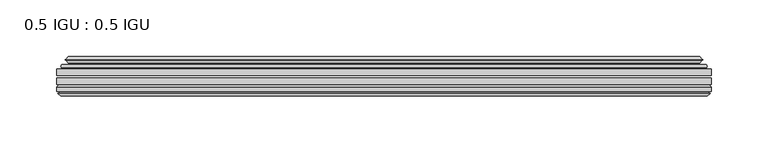
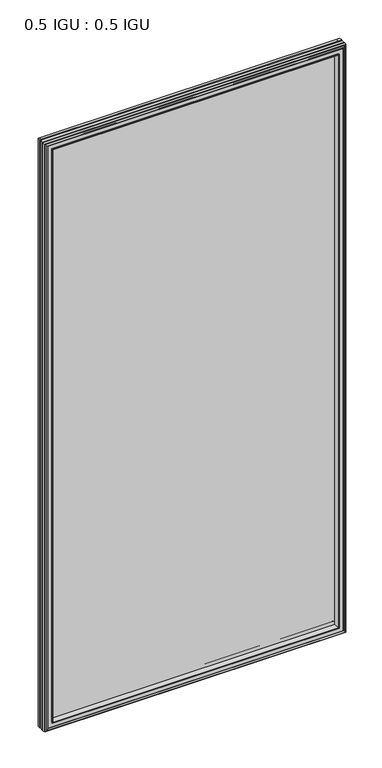
"""IFC4 building model written with IfcOpenShell, lengths in millimetres: plate geometry, 0.5 IGU : 0.5 IGU."""

from ifc_helpers import new_model, si_unit, frame, origin, place, context, project, spatial, polyline, ellipse_curve, outline, extrude, faceted_brep, source, transform, mapped, element, save
from ifc_brep_helpers import plane_surface, cylinder_surface, revolved_surface, advanced_brep


def plate_0_5_igu_0_5_igu_123863bd(model_context):
    return source(origin(), model_context, "Body", "SolidModel", [
        extrude(outline(polyline([(287.351675, -55.82285), (287.351675, -61.48705), (-287.3375, -61.48705), (-287.3375, -55.82285), (287.351675, -55.82285)])), frame((0.0, 0.0, -14.2875), z_axis=(0.0, 0.0, 1.0), x_axis=(1.0, 0.0, 0.0)), (0.0, 0.0, 1.0), 1184.2787979),
        extrude(outline(polyline([(-287.3375, -69.05625), (-287.3375, -63.39205), (287.351675, -63.39205), (287.351675, -69.05625), (-287.3375, -69.05625)])), frame((0.0, 0.0, -14.2875), z_axis=(0.0, 0.0, 1.0), x_axis=(1.0, 0.0, 0.0)), (0.0, 0.0, 1.0), 1184.2787979),
        advanced_brep(
        [(-283.2349626, -54.3724927, 1165.8849626), (-282.1904378, -51.60645, 1164.8404378), (-282.1904378, -51.60645, -9.1404378), (-283.2349626, -54.3724927, -10.1849626), (-281.598517, -55.82285, 1164.248517), (-281.598517, -55.82285, -8.548517), (-273.05, -45.63745, 1155.7), (-269.4672761, -55.82285, 1152.1172761), (-269.4672761, -55.82285, 3.5827239), (-273.05, -45.63745, 0.0), (-278.2359109, -46.8185491, 1160.8859109), (-278.2359109, -46.8185491, -5.1859109), (-277.4388893, -44.8183085, 1160.0888893), (-277.4388893, -44.8183085, -4.3888893), (-279.7226111, -47.135817, 1162.3726111), (-279.7226111, -47.135817, -6.6726111), (-279.7226111, -47.8489429, 1162.3726111), (-279.7226111, -47.8489429, -6.6726111), (-277.4388893, -50.1664515, 1160.0888893), (-277.4388893, -50.1664515, -4.3888893), (-278.2282501, -48.1854367, 1160.8782501), (-278.2282501, -48.1854367, -5.1782501), (-275.7044379, -48.027045, 1158.3544379), (-275.7044379, -48.027045, -2.6544379), (-274.6786217, -48.7147544, 1157.3286217), (-274.6786217, -48.7147544, -1.6286217), (-274.7970288, -50.1092231, 1157.4470288), (-274.7970288, -50.1092231, -1.7470288), (-275.3987748, -51.60645, 1158.0487748), (-275.3987748, -51.60645, -2.3487748), (282.1904378, -51.60645, -9.1404378), (283.2349626, -54.3724927, -10.1849626), (281.598517, -55.82285, -8.548517), (269.4672761, -55.82285, 3.5827239), (273.05, -45.63745, 0.0), (278.2359109, -46.8185491, -5.1859109), (277.4388893, -44.8183085, -4.3888893), (279.7226111, -47.135817, -6.6726111), (279.7226111, -47.8489429, -6.6726111), (277.4388893, -50.1664515, -4.3888893), (278.2282501, -48.1854367, -5.1782501), (275.7044379, -48.027045, -2.6544379), (274.6786217, -48.7147544, -1.6286217), (274.7970288, -50.1092231, -1.7470288), (275.3987748, -51.60645, -2.3487748), (282.1904378, -51.60645, 1164.8404378), (283.2349626, -54.3724927, 1165.8849626), (281.598517, -55.82285, 1164.248517), (269.4672761, -55.82285, 1152.1172761), (273.05, -45.63745, 1155.7), (278.2359109, -46.8185491, 1160.8859109), (277.4388893, -44.8183085, 1160.0888893), (279.7226111, -47.135817, 1162.3726111), (279.7226111, -47.8489429, 1162.3726111), (277.4388893, -50.1664515, 1160.0888893), (278.2282501, -48.1854367, 1160.8782501), (275.7044379, -48.027045, 1158.3544379), (274.6786217, -48.7147544, 1157.3286217), (274.7970288, -50.1092231, 1157.4470288), (275.3987748, -51.60645, 1158.0487748)],
        [
            (0, 1, ellipse_curve(frame((-282.1820703, -53.1898501, 1164.8320703), z_axis=(-0.7071067811865475, 0.0, -0.7071067811865475), x_axis=(-0.7071067811865474, 0.0, 0.7071067811865476)), 2.2392971, 1.5834222)),
            (1, 2),
            (2, 3, ellipse_curve(frame((-282.1820703, -53.1898501, -9.1320703), z_axis=(-0.7071067811865475, 0.0, 0.7071067811865475), x_axis=(0.7071067811865474, 0.0, 0.7071067811865476)), 2.2392971, 1.5834222)),
            (3, 0),
            (4, 0),
            (3, 5),
            (5, 4),
            (6, 7, ellipse_curve(frame((-240.770246, -40.0058297, 1123.420246), z_axis=(0.7071067811865475, 0.0, 0.7071067811865475), x_axis=(0.7071067811865474, 0.0, -0.7071067811865476)), 46.3399971, 32.7673262)),
            (7, 8),
            (8, 9, ellipse_curve(frame((-240.770246, -40.0058297, 32.279754), z_axis=(0.7071067811865475, 0.0, -0.7071067811865475), x_axis=(-0.7071067811865474, 0.0, -0.7071067811865476)), 46.3399971, 32.7673262)),
            (9, 6),
            (10, 6),
            (9, 11),
            (11, 10),
            (12, 10),
            (11, 13),
            (13, 12),
            (14, 12),
            (13, 15),
            (15, 14),
            (16, 14, ellipse_curve(frame((-279.3607729, -47.49238, 1162.0107729), z_axis=(-0.7071067811865475, 0.0, -0.7071067811865475), x_axis=(-0.7071067811865474, 0.0, 0.7071067811865476)), 0.7184205, 0.508)),
            (15, 17, ellipse_curve(frame((-279.3607729, -47.49238, -6.3107729), z_axis=(-0.7071067811865475, 0.0, 0.7071067811865475), x_axis=(0.7071067811865474, 0.0, 0.7071067811865476)), 0.7184205, 0.508)),
            (17, 16),
            (18, 16),
            (17, 19),
            (19, 18),
            (20, 18),
            (19, 21),
            (21, 20),
            (22, 20),
            (21, 23),
            (23, 22),
            (24, 22, ellipse_curve(frame((-275.6408, -49.04105, 1158.2908), z_axis=(0.7071067811865475, 0.0, 0.7071067811865475), x_axis=(0.7071067811865474, 0.0, -0.7071067811865476)), 1.436841, 1.016)),
            (23, 25, ellipse_curve(frame((-275.6408, -49.04105, -2.5908), z_axis=(0.7071067811865475, 0.0, -0.7071067811865475), x_axis=(-0.7071067811865474, 0.0, -0.7071067811865476)), 1.436841, 1.016)),
            (25, 24),
            (26, 24, ellipse_curve(frame((-277.0124, -49.21885, 1159.6624), z_axis=(0.7071067811865475, 0.0, 0.7071067811865475), x_axis=(0.7071067811865474, 0.0, -0.7071067811865476)), 3.3765763, 2.3876)),
            (25, 27, ellipse_curve(frame((-277.0124, -49.21885, -3.9624), z_axis=(0.7071067811865475, 0.0, -0.7071067811865475), x_axis=(-0.7071067811865474, 0.0, -0.7071067811865476)), 3.3765763, 2.3876)),
            (27, 26),
            (28, 26),
            (27, 29),
            (29, 28),
            (2, 30),
            (30, 31, ellipse_curve(frame((282.1820703, -53.1898501, -9.1320703), z_axis=(-0.7071067811865475, 0.0, -0.7071067811865475), x_axis=(-0.7071067811865476, 0.0, 0.7071067811865474)), 2.2392971, 1.5834222)),
            (31, 3),
            (31, 32),
            (32, 5),
            (8, 33),
            (33, 34, ellipse_curve(frame((240.770246, -40.0058297, 32.279754), z_axis=(0.7071067811865475, 0.0, 0.7071067811865475), x_axis=(0.7071067811865476, 0.0, -0.7071067811865474)), 46.3399971, 32.7673262)),
            (34, 9),
            (34, 35),
            (35, 11),
            (35, 36),
            (36, 13),
            (36, 37),
            (37, 15),
            (37, 38, ellipse_curve(frame((279.3607729, -47.49238, -6.3107729), z_axis=(-0.7071067811865475, 0.0, -0.7071067811865475), x_axis=(-0.7071067811865476, 0.0, 0.7071067811865474)), 0.7184205, 0.508)),
            (38, 17),
            (38, 39),
            (39, 19),
            (39, 40),
            (40, 21),
            (40, 41),
            (41, 23),
            (41, 42, ellipse_curve(frame((275.6408, -49.04105, -2.5908), z_axis=(0.7071067811865475, 0.0, 0.7071067811865475), x_axis=(0.7071067811865476, 0.0, -0.7071067811865474)), 1.436841, 1.016)),
            (42, 25),
            (42, 43, ellipse_curve(frame((277.0124, -49.21885, -3.9624), z_axis=(0.7071067811865475, 0.0, 0.7071067811865475), x_axis=(0.7071067811865476, 0.0, -0.7071067811865474)), 3.3765763, 2.3876)),
            (43, 27),
            (43, 44),
            (44, 29),
            (30, 45),
            (45, 46, ellipse_curve(frame((282.1820703, -53.1898501, 1164.8320703), z_axis=(0.7071067811865475, 0.0, -0.7071067811865475), x_axis=(-0.7071067811865474, 0.0, -0.7071067811865476)), 2.2392971, 1.5834222)),
            (46, 31),
            (46, 47),
            (47, 32),
            (33, 48),
            (48, 49, ellipse_curve(frame((240.770246, -40.0058297, 1123.420246), z_axis=(-0.7071067811865475, 0.0, 0.7071067811865475), x_axis=(0.7071067811865474, 0.0, 0.7071067811865476)), 46.3399971, 32.7673262)),
            (49, 34),
            (49, 50),
            (50, 35),
            (50, 51),
            (51, 36),
            (51, 52),
            (52, 37),
            (52, 53, ellipse_curve(frame((279.3607729, -47.49238, 1162.0107729), z_axis=(0.7071067811865475, 0.0, -0.7071067811865475), x_axis=(-0.7071067811865474, 0.0, -0.7071067811865476)), 0.7184205, 0.508)),
            (53, 38),
            (53, 54),
            (54, 39),
            (54, 55),
            (55, 40),
            (55, 56),
            (56, 41),
            (56, 57, ellipse_curve(frame((275.6408, -49.04105, 1158.2908), z_axis=(-0.7071067811865475, 0.0, 0.7071067811865475), x_axis=(0.7071067811865474, 0.0, 0.7071067811865476)), 1.436841, 1.016)),
            (57, 42),
            (57, 58, ellipse_curve(frame((277.0124, -49.21885, 1159.6624), z_axis=(-0.7071067811865475, 0.0, 0.7071067811865475), x_axis=(0.7071067811865474, 0.0, 0.7071067811865476)), 3.3765763, 2.3876)),
            (58, 43),
            (58, 59),
            (59, 44),
            (45, 1),
            (0, 46),
            (4, 47),
            (7, 48),
            (6, 49),
            (10, 50),
            (12, 51),
            (14, 52),
            (16, 53),
            (18, 54),
            (20, 55),
            (22, 56),
            (24, 57),
            (26, 58),
            (28, 59),
        ],
        [
            cylinder_surface(frame((-282.1820703, -53.1898501, 1187.45), z_axis=(0.0, 0.0, 1.0), x_axis=(-1.0, 0.0, 0.0)), 1.5834222),
            plane_surface(frame((-283.2349626, -54.3724927, 1165.8849626), z_axis=(-0.6632745773184306, -0.7483761320907135, 0.0), x_axis=(0.0, 0.0, -1.0))),
            revolved_surface(polyline([(-273.5375722, -40.0058297, -0.48757218957507575), (-273.5375722, -40.0058297, 1156.187572189575)]), (-240.770246, -40.0058297, 1187.45), (0.0, 0.0, -1.0)),
            plane_surface(frame((-273.05, -45.63745, 1155.7), z_axis=(-0.2220649844278743, 0.975031867525902, 0.0), x_axis=(0.0, 0.0, -1.0))),
            plane_surface(frame((-278.2359109, -46.8185491, 1160.8859109), z_axis=(0.928968268563027, -0.37015936568323066, 0.0), x_axis=(0.0, 0.0, -1.0))),
            plane_surface(frame((-277.4388893, -44.8183085, 1160.0888893), z_axis=(-0.7122798501733482, 0.7018955869907096, 0.0), x_axis=(0.0, 0.0, -1.0))),
            cylinder_surface(frame((-279.3607729, -47.49238, 1187.45), z_axis=(0.0, 0.0, 1.0), x_axis=(-1.0, 0.0, 0.0)), 0.508),
            plane_surface(frame((-279.7226111, -47.8489429, 1162.3726111), z_axis=(-0.7122798501732925, -0.701895586990766, 0.0), x_axis=(0.0, 0.0, -1.0))),
            plane_surface(frame((-277.4388893, -50.1664515, 1160.0888893), z_axis=(0.9289682685628707, 0.3701593656836228, 0.0), x_axis=(0.0, 0.0, -1.0))),
            plane_surface(frame((-278.2282501, -48.1854367, 1160.8782501), z_axis=(0.0626357011928498, -0.9980364567169279, 0.0), x_axis=(0.0, 0.0, -1.0))),
            revolved_surface(polyline([(-276.65680000000003, -49.04105, -3.6068000145867245), (-276.65680000000003, -49.04105, 1159.3068000145868)]), (-275.6408, -49.04105, 1187.45), (0.0, 0.0, -1.0)),
            revolved_surface(polyline([(-279.40000000000003, -49.21885, -6.3499999989237494), (-279.40000000000003, -49.21885, 1162.0499999989238)]), (-277.0124, -49.21885, 1187.45), (0.0, 0.0, -1.0)),
            plane_surface(frame((-274.7970288, -50.1092231, 1157.4470288), z_axis=(-0.9278652925428184, 0.3729155385532094, 0.0), x_axis=(0.0, 0.0, -1.0))),
            cylinder_surface(frame((-304.8, -53.1898501, -9.1320703), z_axis=(-1.0, 0.0, 0.0), x_axis=(0.0, 0.0, -1.0)), 1.5834222),
            plane_surface(frame((-283.2349626, -54.3724927, -10.1849626), z_axis=(0.0, -0.7483761320907157, -0.6632745773184283), x_axis=(1.0, 0.0, 0.0))),
            revolved_surface(polyline([(273.537572189575, -40.0058297, -0.48757220000000245), (-273.5375721895749, -40.0058297, -0.48757220000000245)]), (-304.8, -40.0058297, 32.279754), (1.0, 0.0, 0.0)),
            plane_surface(frame((-273.05, -45.63745, 0.0), z_axis=(0.0, 0.9750318675259013, -0.22206498442787745), x_axis=(1.0, 0.0, 0.0))),
            plane_surface(frame((-278.2359109, -46.8185491, -5.1859109), z_axis=(0.0, -0.37015936568322766, 0.9289682685630283), x_axis=(1.0, 0.0, 0.0))),
            plane_surface(frame((-277.4388893, -44.8183085, -4.3888893), z_axis=(0.0, 0.7018955869907073, -0.7122798501733504), x_axis=(1.0, 0.0, 0.0))),
            cylinder_surface(frame((-304.8, -47.49238, -6.3107729), z_axis=(-1.0, 0.0, 0.0), x_axis=(0.0, 0.0, -1.0)), 0.508),
            plane_surface(frame((-279.7226111, -47.8489429, -6.6726111), z_axis=(0.0, -0.7018955869907684, -0.7122798501732903), x_axis=(1.0, 0.0, 0.0))),
            plane_surface(frame((-277.4388893, -50.1664515, -4.3888893), z_axis=(0.0, 0.37015936568362584, 0.9289682685628696), x_axis=(1.0, 0.0, 0.0))),
            plane_surface(frame((-278.2282501, -48.1854367, -5.1782501), z_axis=(0.0, -0.9980364567169276, 0.06263570119285301), x_axis=(1.0, 0.0, 0.0))),
            revolved_surface(polyline([(276.65680001458696, -49.04105, -3.6068000000000002), (-276.65680001458685, -49.04105, -3.6068000000000002)]), (-304.8, -49.04105, -2.5908), (1.0, 0.0, 0.0)),
            revolved_surface(polyline([(279.39999999892376, -49.21885, -6.35), (-279.3999999989238, -49.21885, -6.35)]), (-304.8, -49.21885, -3.9624), (1.0, 0.0, 0.0)),
            plane_surface(frame((-274.7970288, -50.1092231, -1.7470288), z_axis=(0.0, 0.3729155385532064, -0.9278652925428196), x_axis=(1.0, 0.0, 0.0))),
            cylinder_surface(frame((282.1820703, -53.1898501, -31.75), z_axis=(0.0, 0.0, -1.0), x_axis=(1.0, 0.0, 0.0)), 1.5834222),
            plane_surface(frame((283.2349626, -54.3724927, -10.1849626), z_axis=(0.6632745773184259, -0.7483761320907178, 0.0), x_axis=(0.0, 0.0, 1.0))),
            revolved_surface(polyline([(273.5375722, -40.0058297, 1156.187572189575), (273.5375722, -40.0058297, -0.48757218957494075)]), (240.770246, -40.0058297, -31.75), (0.0, 0.0, 1.0)),
            plane_surface(frame((273.05, -45.63745, 0.0), z_axis=(0.22206498442788056, 0.9750318675259005, 0.0), x_axis=(0.0, 0.0, 1.0))),
            plane_surface(frame((278.2359109, -46.8185491, -5.1859109), z_axis=(-0.9289682685630295, -0.37015936568322466, 0.0), x_axis=(0.0, 0.0, 1.0))),
            plane_surface(frame((277.4388893, -44.8183085, -4.3888893), z_axis=(0.7122798501733526, 0.701895586990705, 0.0), x_axis=(0.0, 0.0, 1.0))),
            cylinder_surface(frame((279.3607729, -47.49238, -31.75), z_axis=(0.0, 0.0, -1.0), x_axis=(1.0, 0.0, 0.0)), 0.508),
            plane_surface(frame((279.7226111, -47.8489429, -6.6726111), z_axis=(0.712279850173288, -0.7018955869907706, 0.0), x_axis=(0.0, 0.0, 1.0))),
            plane_surface(frame((277.4388893, -50.1664515, -4.3888893), z_axis=(-0.9289682685628684, 0.37015936568362884, 0.0), x_axis=(0.0, 0.0, 1.0))),
            plane_surface(frame((278.2282501, -48.1854367, -5.1782501), z_axis=(-0.06263570119285623, -0.9980364567169274, 0.0), x_axis=(0.0, 0.0, 1.0))),
            revolved_surface(polyline([(276.65680000000003, -49.04105, 1159.3068000145868), (276.65680000000003, -49.04105, -3.606800014586863)]), (275.6408, -49.04105, -31.75), (0.0, 0.0, 1.0)),
            revolved_surface(polyline([(279.40000000000003, -49.21885, 1162.0499999989238), (279.40000000000003, -49.21885, -6.349999998923781)]), (277.0124, -49.21885, -31.75), (0.0, 0.0, 1.0)),
            plane_surface(frame((274.7970288, -50.1092231, -1.7470288), z_axis=(0.9278652925428208, 0.3729155385532034, 0.0), x_axis=(0.0, 0.0, 1.0))),
            cylinder_surface(frame((304.8, -53.1898501, 1164.8320703), z_axis=(1.0, 0.0, 0.0), x_axis=(0.0, 0.0, 1.0)), 1.5834222),
            plane_surface(frame((283.2349626, -54.3724927, 1165.8849626), z_axis=(0.0, -0.7483761320907157, 0.6632745773184283), x_axis=(-1.0, 0.0, 0.0))),
            plane_surface(frame((281.598517, -55.82285, 1164.248517), z_axis=(0.0, -1.0, 0.0), x_axis=(-1.0, 0.0, 0.0))),
            revolved_surface(polyline([(-273.537572189575, -40.0058297, 1156.1875722), (273.5375721895749, -40.0058297, 1156.1875722)]), (304.8, -40.0058297, 1123.420246), (-1.0, 0.0, 0.0)),
            plane_surface(frame((273.05, -45.63745, 1155.7), z_axis=(0.0, 0.9750318675259012, 0.22206498442787742), x_axis=(-1.0, 0.0, 0.0))),
            plane_surface(frame((278.2359109, -46.8185491, 1160.8859109), z_axis=(0.0, -0.37015936568322766, -0.9289682685630283), x_axis=(-1.0, 0.0, 0.0))),
            plane_surface(frame((277.4388893, -44.8183085, 1160.0888893), z_axis=(0.0, 0.7018955869907073, 0.7122798501733504), x_axis=(-1.0, 0.0, 0.0))),
            cylinder_surface(frame((304.8, -47.49238, 1162.0107729), z_axis=(1.0, 0.0, 0.0), x_axis=(0.0, 0.0, 1.0)), 0.508),
            plane_surface(frame((279.7226111, -47.8489429, 1162.3726111), z_axis=(0.0, -0.7018955869907684, 0.7122798501732903), x_axis=(-1.0, 0.0, 0.0))),
            plane_surface(frame((277.4388893, -50.1664515, 1160.0888893), z_axis=(0.0, 0.37015936568362584, -0.9289682685628696), x_axis=(-1.0, 0.0, 0.0))),
            plane_surface(frame((278.2282501, -48.1854367, 1160.8782501), z_axis=(0.0, -0.9980364567169276, -0.06263570119285301), x_axis=(-1.0, 0.0, 0.0))),
            revolved_surface(polyline([(-276.65680001458696, -49.04105, 1159.3068), (276.65680001458685, -49.04105, 1159.3068)]), (304.8, -49.04105, 1158.2908), (-1.0, 0.0, 0.0)),
            revolved_surface(polyline([(-279.39999999892376, -49.21885, 1162.05), (279.3999999989238, -49.21885, 1162.05)]), (304.8, -49.21885, 1159.6624), (-1.0, 0.0, 0.0)),
            plane_surface(frame((274.7970288, -50.1092231, 1157.4470288), z_axis=(0.0, 0.3729155385532064, 0.9278652925428196), x_axis=(-1.0, 0.0, 0.0))),
            plane_surface(frame((275.3987748, -51.60645, 1158.0487748), z_axis=(0.0, 1.0, 0.0), x_axis=(-1.0, 0.0, 0.0))),
        ],
        [
            (0, [[1, 2, 3, 4]]),
            (1, [[5, -4, 6, 7]]),
            (2, [[8, 9, 10, 11]]),
            (3, [[12, -11, 13, 14]]),
            (4, [[15, -14, 16, 17]]),
            (5, [[18, -17, 19, 20]]),
            (6, [[21, -20, 22, 23]]),
            (7, [[24, -23, 25, 26]]),
            (8, [[27, -26, 28, 29]]),
            (9, [[30, -29, 31, 32]]),
            (10, [[33, -32, 34, 35]]),
            (11, [[36, -35, 37, 38]]),
            (12, [[39, -38, 40, 41]]),
            (13, [[-3, 42, 43, 44]]),
            (14, [[-6, -44, 45, 46]]),
            (15, [[-10, 47, 48, 49]]),
            (16, [[-13, -49, 50, 51]]),
            (17, [[-16, -51, 52, 53]]),
            (18, [[-19, -53, 54, 55]]),
            (19, [[-22, -55, 56, 57]]),
            (20, [[-25, -57, 58, 59]]),
            (21, [[-28, -59, 60, 61]]),
            (22, [[-31, -61, 62, 63]]),
            (23, [[-34, -63, 64, 65]]),
            (24, [[-37, -65, 66, 67]]),
            (25, [[-40, -67, 68, 69]]),
            (26, [[-43, 70, 71, 72]]),
            (27, [[-45, -72, 73, 74]]),
            (28, [[-48, 75, 76, 77]]),
            (29, [[-50, -77, 78, 79]]),
            (30, [[-52, -79, 80, 81]]),
            (31, [[-54, -81, 82, 83]]),
            (32, [[-56, -83, 84, 85]]),
            (33, [[-58, -85, 86, 87]]),
            (34, [[-60, -87, 88, 89]]),
            (35, [[-62, -89, 90, 91]]),
            (36, [[-64, -91, 92, 93]]),
            (37, [[-66, -93, 94, 95]]),
            (38, [[-68, -95, 96, 97]]),
            (39, [[-71, 98, -1, 99]]),
            (40, [[-73, -99, -5, 100]]),
            (41, [[-46, -74, -100, -7], [101, -75, -47, -9]]),
            (42, [[-76, -101, -8, 102]]),
            (43, [[-78, -102, -12, 103]]),
            (44, [[-80, -103, -15, 104]]),
            (45, [[-82, -104, -18, 105]]),
            (46, [[-84, -105, -21, 106]]),
            (47, [[-86, -106, -24, 107]]),
            (48, [[-88, -107, -27, 108]]),
            (49, [[-90, -108, -30, 109]]),
            (50, [[-92, -109, -33, 110]]),
            (51, [[-94, -110, -36, 111]]),
            (52, [[-96, -111, -39, 112]]),
            (53, [[-98, -70, -42, -2], [-69, -97, -112, -41]]),
        ],
    ),
        faceted_brep([(-269.1957827, -69.05625, 1151.8457827), (-271.7620798, -77.94625, 1154.4120798), (-271.7620798, -77.94625, 1.2879202), (-269.1957827, -69.05625, 3.8542173), (-287.3502, -71.2633102, 1170.0002), (-285.1431398, -69.05625, 1167.7931398), (-285.1431398, -69.05625, -12.0931398), (-287.3502, -71.2633102, -14.3002), (-287.3502, -75.40625, 1170.0002), (-287.3502, -75.40625, -14.3002), (-284.9311775, -76.58989, 1167.5811775), (-285.8008, -75.40625, 1168.4508), (-285.8008, -75.40625, -12.7508), (-284.9311775, -76.58989, -11.8811775), (-284.734, -77.8875884, 1167.384), (-284.734, -77.8875884, -11.684), (-285.70966, -77.3578917, 1168.35966), (-285.70966, -77.3578917, -12.65966), (-284.1752, -79.1749663, 1166.8252), (-286.5023305, -77.3578917, 1169.1523305), (-286.5023305, -77.3578917, -13.4523305), (-284.1752, -79.1749663, -11.1252), (-281.8480695, -77.3578917, 1164.4980695), (-281.8480695, -77.3578917, -8.7980695), (-283.6164, -77.8875884, 1166.2664), (-282.64074, -77.3578917, 1165.29074), (-282.64074, -77.3578917, -9.59074), (-283.6164, -77.8875884, -10.5664), (-283.4192225, -76.58989, 1166.0692225), (-283.4192225, -76.58989, -10.3692225), (-282.5496, -75.40625, 1165.1996), (-282.5496, -75.40625, -9.4996), (-273.4013667, -77.94625, 1156.0513667), (-272.8722, -75.40625, 1155.5222), (-272.8722, -75.40625, 0.1778), (-273.4013667, -77.94625, -0.3513667), (271.7620798, -77.94625, 1.2879202), (269.1957827, -69.05625, 3.8542173), (285.1431398, -69.05625, -12.0931398), (287.3502, -71.2633102, -14.3002), (287.3502, -75.40625, -14.3002), (285.8008, -75.40625, -12.7508), (284.9311775, -76.58989, -11.8811775), (284.734, -77.8875884, -11.684), (285.70966, -77.3578917, -12.65966), (286.5023305, -77.3578917, -13.4523305), (284.1752, -79.1749663, -11.1252), (281.8480695, -77.3578917, -8.7980695), (282.64074, -77.3578917, -9.59074), (283.6164, -77.8875884, -10.5664), (283.4192225, -76.58989, -10.3692225), (282.5496, -75.40625, -9.4996), (272.8722, -75.40625, 0.1778), (273.4013667, -77.94625, -0.3513667), (271.7620798, -77.94625, 1154.4120798), (269.1957827, -69.05625, 1151.8457827), (285.1431398, -69.05625, 1167.7931398), (287.3502, -71.2633102, 1170.0002), (287.3502, -75.40625, 1170.0002), (285.8008, -75.40625, 1168.4508), (284.9311775, -76.58989, 1167.5811775), (284.734, -77.8875884, 1167.384), (285.70966, -77.3578917, 1168.35966), (286.5023305, -77.3578917, 1169.1523305), (284.1752, -79.1749663, 1166.8252), (281.8480695, -77.3578917, 1164.4980695), (282.64074, -77.3578917, 1165.29074), (283.6164, -77.8875884, 1166.2664), (283.4192225, -76.58989, 1166.0692225), (282.5496, -75.40625, 1165.1996), (272.8722, -75.40625, 1155.5222), (273.4013667, -77.94625, 1156.0513667)], [[[0, 1, 2, 3]], [[4, 5, 6, 7]], [[8, 4, 7, 9]], [[10, 11, 12, 13]], [[14, 10, 13, 15]], [[16, 14, 15, 17]], [[18, 19, 20, 21]], [[22, 18, 21, 23]], [[24, 25, 26, 27]], [[28, 24, 27, 29]], [[30, 28, 29, 31]], [[32, 33, 34, 35]], [[3, 2, 36, 37]], [[7, 6, 38, 39]], [[9, 7, 39, 40]], [[13, 12, 41, 42]], [[15, 13, 42, 43]], [[17, 15, 43, 44]], [[21, 20, 45, 46]], [[23, 21, 46, 47]], [[27, 26, 48, 49]], [[29, 27, 49, 50]], [[31, 29, 50, 51]], [[35, 34, 52, 53]], [[37, 36, 54, 55]], [[39, 38, 56, 57]], [[40, 39, 57, 58]], [[42, 41, 59, 60]], [[43, 42, 60, 61]], [[44, 43, 61, 62]], [[46, 45, 63, 64]], [[47, 46, 64, 65]], [[49, 48, 66, 67]], [[50, 49, 67, 68]], [[51, 50, 68, 69]], [[53, 52, 70, 71]], [[55, 54, 1, 0]], [[5, 56, 38, 6], [3, 37, 55, 0]], [[57, 56, 5, 4]], [[58, 57, 4, 8]], [[9, 40, 58, 8], [11, 59, 41, 12]], [[60, 59, 11, 10]], [[61, 60, 10, 14]], [[62, 61, 14, 16]], [[19, 63, 45, 20], [17, 44, 62, 16]], [[64, 63, 19, 18]], [[65, 64, 18, 22]], [[25, 66, 48, 26], [23, 47, 65, 22]], [[67, 66, 25, 24]], [[68, 67, 24, 28]], [[69, 68, 28, 30]], [[31, 51, 69, 30], [33, 70, 52, 34]], [[71, 70, 33, 32]], [[35, 53, 71, 32], [1, 54, 36, 2]]]),
    ])


if __name__ == "__main__":
    model = new_model("IFC4")
    model_context = context("Model", 3, world=origin())
    ifc_project = project(units=[si_unit("LENGTHUNIT", "METRE", prefix="MILLI")], contexts=[model_context])
    site = spatial("IfcSite", under=ifc_project)
    building = spatial("IfcBuilding", under=site)
    placement = place(None, origin())
    plate_0_5_igu_0_5_igu_shape = plate_0_5_igu_0_5_igu_123863bd(model_context)
    element("IfcPlate", 1, ObjectType="0.5 IGU : 0.5 IGU", at=placement, inside=building, context=model_context, shape_type="MappedRepresentation", body=[
        mapped(plate_0_5_igu_0_5_igu_shape, transform((0.0, 0.0, 0.0), x_axis=(1.0, 0.0, 0.0), y_axis=(0.0, 1.0, 0.0), z_axis=(0.0, 0.0, 1.0))),
    ])
    save(model, "model.ifc")
